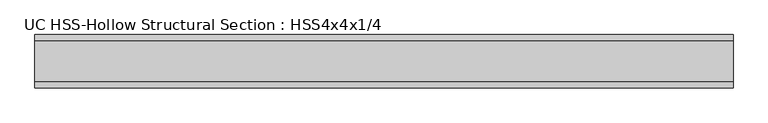
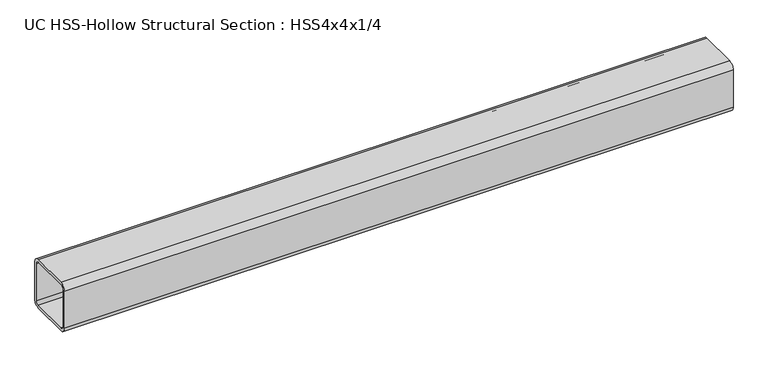
"""IFC4 building model written with IfcOpenShell, lengths in millimetres: beam geometry, UC HSS-Hollow Structural Section : HSS4x4x1/4."""

from ifc_helpers import new_model, si_unit, point, frame, frame_2d, origin, place, context, project, spatial, polyline, circle_curve, trimmed, segment, composite_curve, outline, extrude, source, transform, mapped, element, save


def uc_hss_hollow_structural_section_hss4x4x1_4_4637cc77(model_context):
    return source(origin(), model_context, "Body", "SweptSolid", [
        extrude(outline(composite_curve([segment(trimmed(circle_curve(frame_2d((-38.9636, 38.9636)), 11.8364), [point((-50.8, 38.9636))], [point((-38.9636, 50.8))], False, "CARTESIAN"), True, "CONTINUOUS"), segment(polyline([(-38.9636, 50.8), (38.9636, 50.8)]), True, "CONTINUOUS"), segment(trimmed(circle_curve(frame_2d((38.9636, 38.9636)), 11.8364), [point((38.9636, 50.8))], [point((50.8, 38.9636))], False, "CARTESIAN"), True, "CONTINUOUS"), segment(polyline([(50.8, 38.9636), (50.8, -38.9636)]), True, "CONTINUOUS"), segment(trimmed(circle_curve(frame_2d((38.9636, -38.9636)), 11.8364), [point((50.8, -38.9636))], [point((38.9636, -50.8))], False, "CARTESIAN"), True, "CONTINUOUS"), segment(polyline([(38.9636, -50.8), (-38.9636, -50.8)]), True, "CONTINUOUS"), segment(trimmed(circle_curve(frame_2d((-38.9636, -38.9636)), 11.8364), [point((-38.9636, -50.8))], [point((-50.8, -38.9636))], False, "CARTESIAN"), True, "CONTINUOUS"), segment(polyline([(-50.8, -38.9636), (-50.8, 38.9636)]), True, "CONTINUOUS")], self_intersect=False), holes=[composite_curve([segment(polyline([(38.9636, 44.8818), (-38.9636, 44.8818)]), True, "CONTINUOUS"), segment(trimmed(circle_curve(frame_2d((-38.9636, 38.9636)), 5.9182), [point((-38.9636, 44.8818))], [point((-44.8818, 38.9636))], True, "CARTESIAN"), True, "CONTINUOUS"), segment(polyline([(-44.8818, 38.9636), (-44.8818, -38.9636)]), True, "CONTINUOUS"), segment(trimmed(circle_curve(frame_2d((-38.9636, -38.9636)), 5.9182), [point((-44.8818, -38.9636))], [point((-38.9636, -44.8818))], True, "CARTESIAN"), True, "CONTINUOUS"), segment(polyline([(-38.9636, -44.8818), (38.9636, -44.8818)]), True, "CONTINUOUS"), segment(trimmed(circle_curve(frame_2d((38.9636, -38.9636)), 5.9182), [point((38.9636, -44.8818))], [point((44.8818, -38.9636))], True, "CARTESIAN"), True, "CONTINUOUS"), segment(polyline([(44.8818, -38.9636), (44.8818, 38.9636)]), True, "CONTINUOUS"), segment(trimmed(circle_curve(frame_2d((38.9636, 38.9636)), 5.9182), [point((44.8818, 38.9636))], [point((38.9636, 44.8818))], True, "CARTESIAN"), True, "CONTINUOUS")], self_intersect=False)]), frame((-638.175, 0.0, 0.0), z_axis=(1.0, 0.0, 0.0), x_axis=(0.0, 1.0, 0.0)), (0.0, 0.0, 1.0), 1327.6700019),
    ])


if __name__ == "__main__":
    model = new_model("IFC4")
    model_context = context("Model", 3, world=origin())
    ifc_project = project(units=[si_unit("LENGTHUNIT", "METRE", prefix="MILLI")], contexts=[model_context])
    site = spatial("IfcSite", under=ifc_project)
    building = spatial("IfcBuilding", under=site)
    placement = place(None, origin())
    uc_hss_hollow_structural_section_hss4x4x1_4_shape = uc_hss_hollow_structural_section_hss4x4x1_4_4637cc77(model_context)
    element("IfcBeam", 1, ObjectType="UC HSS-Hollow Structural Section : HSS4x4x1/4", at=placement, inside=building, context=model_context, shape_type="MappedRepresentation", body=[
        mapped(uc_hss_hollow_structural_section_hss4x4x1_4_shape, transform((0.0, 0.0, 0.0), x_axis=(1.0, 0.0, 0.0), y_axis=(0.0, 1.0, 0.0), z_axis=(0.0, 0.0, 1.0))),
    ])
    save(model, "model.ifc")
